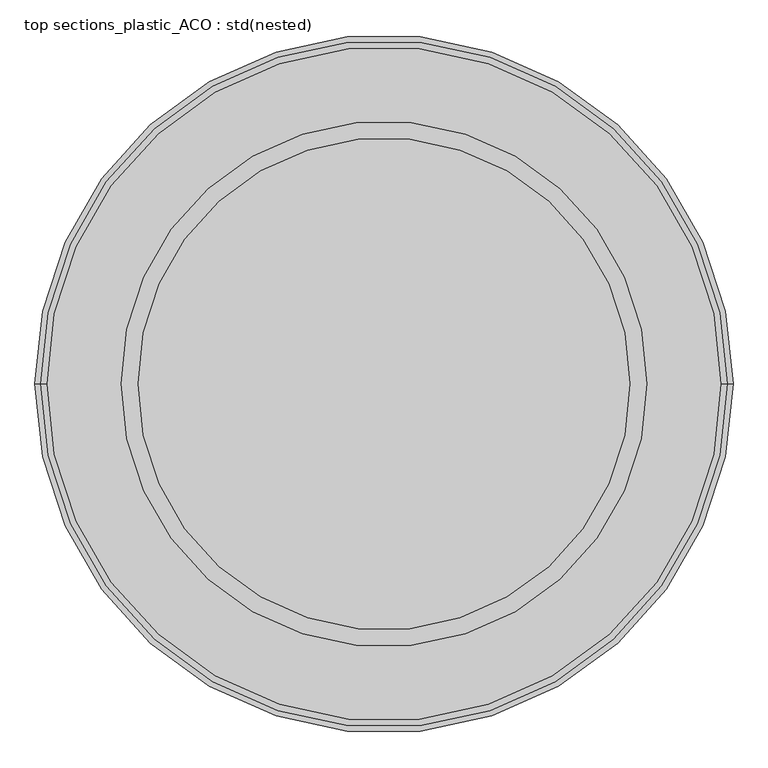
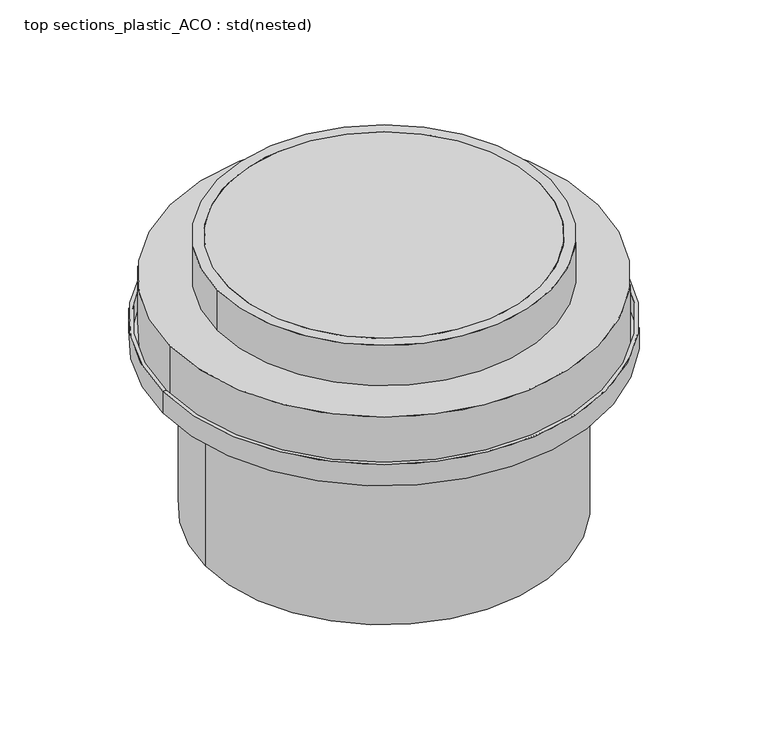
"""IFC4 building model written with IfcOpenShell, lengths in millimetres: unitary equipment geometry, top sections_plastic_ACO : std(nested)."""

from ifc_helpers import new_model, si_unit, point, frame, origin, origin_2d, place, context, project, spatial, polyline, circle_curve, trimmed, segment, composite_curve, outline, extrude, source, transform, mapped, element, save
from ifc_brep_helpers import plane_surface, cylinder_surface, revolved_surface, advanced_brep


def top_sections_plastic_aco_std_nested_ce48833b(model_context):
    return source(origin(), model_context, "Body", "SolidModel", [
        advanced_brep(
        [(-510.0, 0.0, -205.0), (510.0, 0.0, -205.0), (518.0, 0.0, -205.0), (-518.0, 0.0, -205.0), (-510.0, 0.0, -250.0), (510.0, 0.0, -250.0), (-410.0, 0.0, -250.0), (410.0, 0.0, -250.0), (-410.0, 0.0, -672.0), (410.0, 0.0, -672.0), (-418.0, 0.0, -672.0), (418.0, 0.0, -672.0), (-418.0, 0.0, -258.0), (418.0, 0.0, -258.0), (-518.0, 0.0, -258.0), (518.0, 0.0, -258.0)],
        [
            (0, 1, circle_curve(frame((0.0, 0.0, -205.0), z_axis=(0.0, 0.0, -1.0), x_axis=(1.0, 0.0, 0.0)), 510.0)),
            (1, 2),
            (2, 3, circle_curve(frame((0.0, 0.0, -205.0), z_axis=(0.0, 0.0, 1.0), x_axis=(1.0, 0.0, 0.0)), 518.0)),
            (3, 0),
            (1, 0, circle_curve(frame((0.0, 0.0, -205.0), z_axis=(0.0, 0.0, -1.0), x_axis=(1.0, 0.0, 0.0)), 510.0)),
            (3, 2, circle_curve(frame((0.0, 0.0, -205.0), z_axis=(0.0, 0.0, 1.0), x_axis=(1.0, 0.0, 0.0)), 518.0)),
            (4, 5, circle_curve(frame((0.0, 0.0, -250.0), z_axis=(0.0, 0.0, -1.0), x_axis=(1.0, 0.0, 0.0)), 510.0)),
            (5, 1),
            (0, 4),
            (5, 4, circle_curve(frame((0.0, 0.0, -250.0), z_axis=(0.0, 0.0, -1.0), x_axis=(1.0, 0.0, 0.0)), 510.0)),
            (6, 7, circle_curve(frame((0.0, 0.0, -250.0), z_axis=(0.0, 0.0, -1.0), x_axis=(1.0, 0.0, 0.0)), 410.0)),
            (7, 5),
            (4, 6),
            (7, 6, circle_curve(frame((0.0, 0.0, -250.0), z_axis=(0.0, 0.0, -1.0), x_axis=(1.0, 0.0, 0.0)), 410.0)),
            (8, 9, circle_curve(frame((0.0, 0.0, -672.0), z_axis=(0.0, 0.0, -1.0), x_axis=(1.0, 0.0, 0.0)), 410.0)),
            (9, 7),
            (6, 8),
            (9, 8, circle_curve(frame((0.0, 0.0, -672.0), z_axis=(0.0, 0.0, -1.0), x_axis=(1.0, 0.0, 0.0)), 410.0)),
            (10, 11, circle_curve(frame((0.0, 0.0, -672.0), z_axis=(0.0, 0.0, -1.0), x_axis=(1.0, 0.0, 0.0)), 418.0)),
            (11, 9),
            (8, 10),
            (11, 10, circle_curve(frame((0.0, 0.0, -672.0), z_axis=(0.0, 0.0, -1.0), x_axis=(1.0, 0.0, 0.0)), 418.0)),
            (12, 13, circle_curve(frame((0.0, 0.0, -258.0), z_axis=(0.0, 0.0, -1.0), x_axis=(1.0, 0.0, 0.0)), 418.0)),
            (13, 11),
            (10, 12),
            (13, 12, circle_curve(frame((0.0, 0.0, -258.0), z_axis=(0.0, 0.0, -1.0), x_axis=(1.0, 0.0, 0.0)), 418.0)),
            (14, 15, circle_curve(frame((0.0, 0.0, -258.0), z_axis=(0.0, 0.0, -1.0), x_axis=(1.0, 0.0, 0.0)), 518.0)),
            (15, 13),
            (12, 14),
            (15, 14, circle_curve(frame((0.0, 0.0, -258.0), z_axis=(0.0, 0.0, -1.0), x_axis=(1.0, 0.0, 0.0)), 518.0)),
            (2, 15),
            (14, 3),
        ],
        [
            plane_surface(frame((0.0, 0.0, -205.0), z_axis=(0.0, 0.0, 1.0), x_axis=(1.0, 0.0, 0.0))),
            revolved_surface(polyline([(510.0, 0.0, -205.0), (510.0, 0.0, -250.0)]), (0.0, 0.0, 240.0), (0.0, 0.0, 1.0)),
            plane_surface(frame((0.0, 0.0, -250.0), z_axis=(0.0, 0.0, 1.0), x_axis=(1.0, 0.0, 0.0))),
            revolved_surface(polyline([(410.0, 0.0, -250.0), (410.0, 0.0, -672.0)]), (0.0, 0.0, 240.0), (0.0, 0.0, 1.0)),
            plane_surface(frame((0.0, 0.0, -672.0), z_axis=(0.0, 0.0, -1.0), x_axis=(1.0, 0.0, 0.0))),
            cylinder_surface(frame((0.0, 0.0, 240.0), z_axis=(0.0, 0.0, 1.0), x_axis=(1.0, 0.0, 0.0)), 418.0),
            plane_surface(frame((0.0, 0.0, -258.0), z_axis=(0.0, 0.0, -1.0), x_axis=(1.0, 0.0, 0.0))),
            cylinder_surface(frame((0.0, 0.0, 240.0), z_axis=(0.0, 0.0, 1.0), x_axis=(1.0, 0.0, 0.0)), 518.0),
        ],
        [
            (0, [[1, 2, 3, 4]]),
            (0, [[5, -4, 6, -2]]),
            (1, [[7, 8, -1, 9]]),
            (1, [[10, -9, -5, -8]]),
            (2, [[11, 12, -7, 13]]),
            (2, [[14, -13, -10, -12]]),
            (3, [[15, 16, -11, 17]]),
            (3, [[18, -17, -14, -16]]),
            (4, [[19, 20, -15, 21]]),
            (4, [[22, -21, -18, -20]]),
            (5, [[23, 24, -19, 25]]),
            (5, [[26, -25, -22, -24]]),
            (6, [[27, 28, -23, 29]]),
            (6, [[30, -29, -26, -28]]),
            (7, [[-3, 31, -27, 32]]),
            (7, [[-6, -32, -30, -31]]),
        ],
    ),
        extrude(outline(composite_curve([segment(trimmed(circle_curve(origin_2d(), 500.0), [point((-500.0, 0.0))], [point((500.0, 0.0))], False, "CARTESIAN"), True, "CONTINUOUS"), segment(trimmed(circle_curve(origin_2d(), 500.0), [point((500.0, 0.0))], [point((-500.0, 0.0))], False, "CARTESIAN"), True, "CONTINUOUS")], self_intersect=False)), frame((0.0, 0.0, -250.0), z_axis=(0.0, 0.0, 1.0), x_axis=(1.0, 0.0, 0.0)), (0.0, 0.0, 1.0), 150.0),
        extrude(outline(composite_curve([segment(trimmed(circle_curve(origin_2d(), 365.0), [point((365.0, 0.0))], [point((-365.0, 0.0))], False, "CARTESIAN"), True, "CONTINUOUS"), segment(trimmed(circle_curve(origin_2d(), 365.0), [point((-365.0, 0.0))], [point((365.0, 0.0))], False, "CARTESIAN"), True, "CONTINUOUS")], self_intersect=False)), frame((0.0, 0.0, -100.0), z_axis=(0.0, 0.0, 1.0), x_axis=(1.0, 0.0, 0.0)), (0.0, 0.0, 1.0), 100.0),
        extrude(outline(composite_curve([segment(trimmed(circle_curve(origin_2d(), 390.0), [point((-390.0, 0.0))], [point((390.0, 0.0))], False, "CARTESIAN"), True, "CONTINUOUS"), segment(trimmed(circle_curve(origin_2d(), 390.0), [point((390.0, 0.0))], [point((-390.0, 0.0))], False, "CARTESIAN"), True, "CONTINUOUS")], self_intersect=False), holes=[composite_curve([segment(trimmed(circle_curve(origin_2d(), 365.0), [point((-365.0, 0.0))], [point((365.0, 0.0))], True, "CARTESIAN"), True, "CONTINUOUS"), segment(trimmed(circle_curve(origin_2d(), 365.0), [point((365.0, 0.0))], [point((-365.0, 0.0))], True, "CARTESIAN"), True, "CONTINUOUS")], self_intersect=False)]), frame((0.0, 0.0, -100.0), z_axis=(0.0, 0.0, 1.0), x_axis=(1.0, 0.0, 0.0)), (0.0, 0.0, 1.0), 100.0),
    ])


if __name__ == "__main__":
    model = new_model("IFC4")
    model_context = context("Model", 3, world=origin())
    ifc_project = project(units=[si_unit("LENGTHUNIT", "METRE", prefix="MILLI")], contexts=[model_context])
    site = spatial("IfcSite", under=ifc_project)
    building = spatial("IfcBuilding", under=site)
    placement = place(None, origin())
    top_sections_plastic_aco_std_nested_shape = top_sections_plastic_aco_std_nested_ce48833b(model_context)
    element("IfcUnitaryEquipment", 1, ObjectType="top sections_plastic_ACO : std(nested)", at=placement, inside=building, context=model_context, shape_type="MappedRepresentation", body=[
        mapped(top_sections_plastic_aco_std_nested_shape, transform((0.0, 0.0, 0.0), x_axis=(1.0, 0.0, 0.0), y_axis=(0.0, 1.0, 0.0), z_axis=(0.0, 0.0, 1.0))),
    ])
    save(model, "model.ifc")
